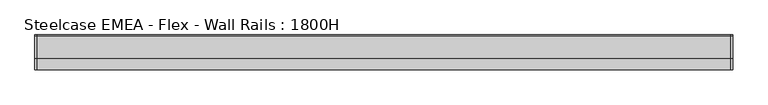
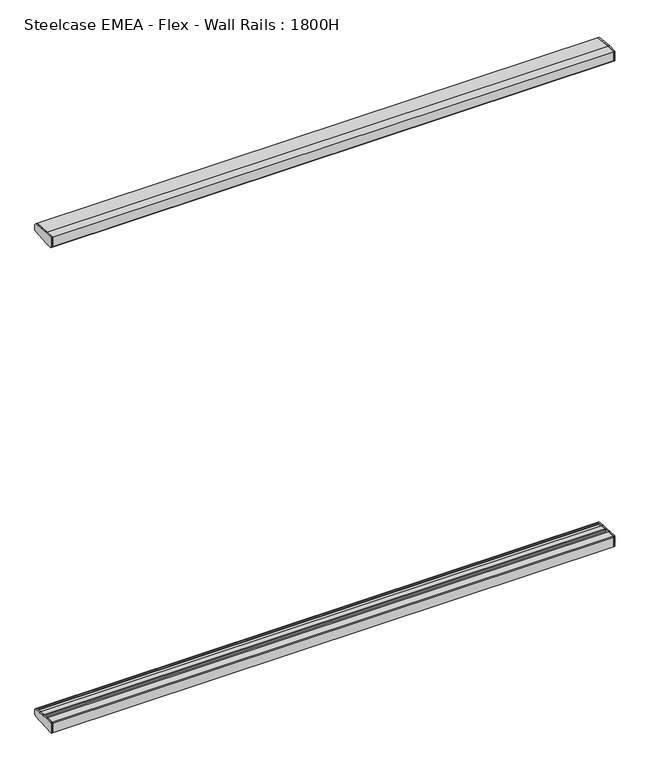
"""IFC4 building model written with IfcOpenShell, lengths in millimetres: furniture geometry, Steelcase EMEA - Flex - Wall Rails : 1800H."""

from ifc_helpers import new_model, si_unit, frame, origin, place, context, project, spatial, polyline, outline, extrude, source, transform, mapped, element, save


def steelcase_emea_flex_wall_rails_1800h_39717b1d(model_context):
    return source(origin(), model_context, "Body", "SweptSolid", [
        extrude(outline(polyline([(29.748384, 494.399958), (50.3978144, 493.0470375), (73.1435844, 490.9657693), (98.0172056, 488.9021347), (99.9999601, 486.7480995), (99.9999601, 467.5239814), (95.5653908, 462.6914284), (31.7483991, 457.2), (0.0, 457.2), (0.0, 492.39833), (2.0015978, 494.399958), (29.748384, 494.399958)])), frame((1995.0, 0.0, 0.0), z_axis=(1.0, 0.0, 0.0), x_axis=(0.0, 1.0, 0.0)), (0.0, 0.0, 1.0), 5.0),
        extrude(outline(polyline([(29.748384, 2275.5875964), (2.0015978, 2275.5875964), (0.0, 2277.5892245), (0.0, 2312.7875545), (31.7483991, 2312.7875545), (95.5653908, 2307.2961261), (99.9999601, 2302.4635731), (99.9999601, 2283.239455), (98.0172056, 2281.0854198), (73.1435844, 2279.0217851), (50.3978144, 2276.9405169), (29.748384, 2275.5875964)])), frame((1995.0, 0.0, 0.0), z_axis=(1.0, 0.0, 0.0), x_axis=(0.0, 1.0, 0.0)), (0.0, 0.0, 1.0), 5.0),
        extrude(outline(polyline([(29.748384, 494.399958), (50.3978144, 493.0470375), (73.1435844, 490.9657693), (98.0172056, 488.9021347), (99.9999601, 486.7480995), (99.9999601, 467.5239814), (95.5653908, 462.6914284), (31.7483991, 457.2), (0.0, 457.2), (0.0, 492.39833), (2.0015978, 494.399958), (29.748384, 494.399958)])), frame((0.0, 0.0, 0.0), z_axis=(1.0, 0.0, 0.0), x_axis=(0.0, 1.0, 0.0)), (0.0, 0.0, 1.0), 5.0),
        extrude(outline(polyline([(29.748384, 2275.5875964), (2.0015978, 2275.5875964), (0.0, 2277.5892245), (0.0, 2312.7875545), (31.7483991, 2312.7875545), (95.5653908, 2307.2961261), (99.9999601, 2302.4635731), (99.9999601, 2283.239455), (98.0172056, 2281.0854198), (73.1435844, 2279.0217851), (50.3978144, 2276.9405169), (29.748384, 2275.5875964)])), frame((0.0, 0.0, 0.0), z_axis=(1.0, 0.0, 0.0), x_axis=(0.0, 1.0, 0.0)), (0.0, 0.0, 1.0), 5.0),
        extrude(outline(polyline([(0.0, 492.39833), (2.0015978, 494.399958), (29.748384, 494.399958), (31.7499758, 492.398336), (31.7499758, 484.9937772), (48.4030258, 484.9937772), (48.4030258, 491.016882), (50.3978144, 493.0470375), (73.1435844, 490.9657693), (75.1383233, 488.7986526), (75.1383227, 484.9937772), (91.9999735, 484.9937772), (91.9999743, 487.4118187), (93.9826847, 489.2368579), (98.0172056, 488.9021347), (99.9999598, 486.7480995), (99.9999606, 467.5239822), (95.5653908, 462.6914284), (31.7483991, 457.2), (0.0, 457.2), (0.0, 492.39833)])), frame((5.0, 0.0, 0.0), z_axis=(1.0, 0.0, 0.0), x_axis=(0.0, 1.0, 0.0)), (0.0, 0.0, 1.0), 1990.0),
        extrude(outline(polyline([(0.0, 2277.5892245), (0.0, 2312.7875545), (31.7483991, 2312.7875545), (95.5653908, 2307.2961261), (99.9999601, 2302.4635728), (99.9999601, 2283.2394553), (98.0172056, 2281.0854198), (93.9826847, 2280.7506966), (91.9999743, 2282.5757358), (91.9999735, 2284.9937772), (75.1383227, 2284.9937772), (75.1383233, 2281.1889019), (73.1435844, 2279.0217851), (50.3978144, 2276.9405169), (48.4030258, 2278.9706725), (48.4030258, 2284.9937772), (31.7499758, 2284.9937772), (31.7499758, 2277.5892185), (29.748384, 2275.5875964), (2.0015978, 2275.5875964), (0.0, 2277.5892245)])), frame((5.0, 0.0, 0.0), z_axis=(1.0, 0.0, 0.0), x_axis=(0.0, 1.0, 0.0)), (0.0, 0.0, 1.0), 1990.0),
    ])


if __name__ == "__main__":
    model = new_model("IFC4")
    model_context = context("Model", 3, world=origin())
    ifc_project = project(units=[si_unit("LENGTHUNIT", "METRE", prefix="MILLI")], contexts=[model_context])
    site = spatial("IfcSite", under=ifc_project)
    building = spatial("IfcBuilding", under=site)
    placement = place(None, origin())
    steelcase_emea_flex_wall_rails_1800h_shape = steelcase_emea_flex_wall_rails_1800h_39717b1d(model_context)
    element("IfcFurniture", 1, ObjectType="Steelcase EMEA - Flex - Wall Rails : 1800H", at=placement, inside=building, context=model_context, shape_type="MappedRepresentation", body=[
        mapped(steelcase_emea_flex_wall_rails_1800h_shape, transform((0.0, 0.0, 0.0), x_axis=(1.0, 0.0, 0.0), y_axis=(0.0, 1.0, 0.0), z_axis=(0.0, 0.0, 1.0))),
    ])
    save(model, "model.ifc")
